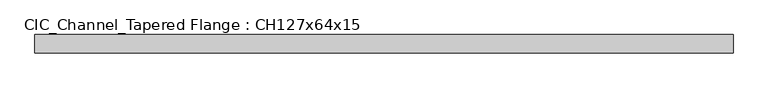
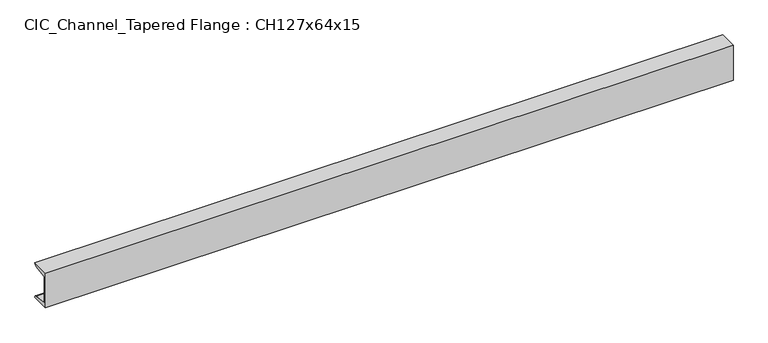
"""IFC4 building model written with IfcOpenShell, lengths in millimetres: beam geometry, CIC_Channel_Tapered Flange : CH127x64x15."""

from ifc_helpers import new_model, si_unit, point, frame, frame_2d, origin, place, context, project, spatial, polyline, circle_curve, trimmed, segment, composite_curve, outline, extrude, source, transform, mapped, element, save


def cic_channel_tapered_flange_ch127x64x15_49b04e13(model_context):
    return source(origin(), model_context, "Body", "SweptSolid", [
        extrude(outline(composite_curve([segment(polyline([(-19.4, 63.5), (44.1, 63.5)]), True, "CONTINUOUS"), segment(trimmed(circle_curve(frame_2d((34.9, 63.5)), 9.2), [point((44.1, 63.5))], [point((34.9, 54.3))], False, "CARTESIAN"), True, "CONTINUOUS"), segment(polyline([(34.9, 54.3), (-13.0, 46.7133853), (-13.0, -46.7133853), (34.9, -54.3)]), True, "CONTINUOUS"), segment(trimmed(circle_curve(frame_2d((34.9, -63.5)), 9.2), [point((34.9, -54.3))], [point((44.1, -63.5))], False, "CARTESIAN"), True, "CONTINUOUS"), segment(polyline([(44.1, -63.5), (-19.4, -63.5), (-19.4, 63.5)]), True, "CONTINUOUS")], self_intersect=False)), frame((-1187.25, 0.0, 0.0), z_axis=(1.0, 0.0, 0.0), x_axis=(0.0, 1.0, 0.0)), (0.0, 0.0, 1.0), 2387.2),
    ])


if __name__ == "__main__":
    model = new_model("IFC4")
    model_context = context("Model", 3, world=origin())
    ifc_project = project(units=[si_unit("LENGTHUNIT", "METRE", prefix="MILLI")], contexts=[model_context])
    site = spatial("IfcSite", under=ifc_project)
    building = spatial("IfcBuilding", under=site)
    placement = place(None, origin())
    cic_channel_tapered_flange_ch127x64x15_shape = cic_channel_tapered_flange_ch127x64x15_49b04e13(model_context)
    element("IfcBeam", 1, ObjectType="CIC_Channel_Tapered Flange : CH127x64x15", at=placement, inside=building, context=model_context, shape_type="MappedRepresentation", body=[
        mapped(cic_channel_tapered_flange_ch127x64x15_shape, transform((0.0, 0.0, 0.0), x_axis=(1.0, 0.0, 0.0), y_axis=(0.0, 1.0, 0.0), z_axis=(0.0, 0.0, 1.0))),
    ])
    save(model, "model.ifc")
